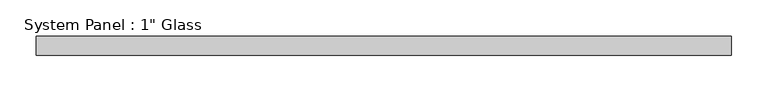
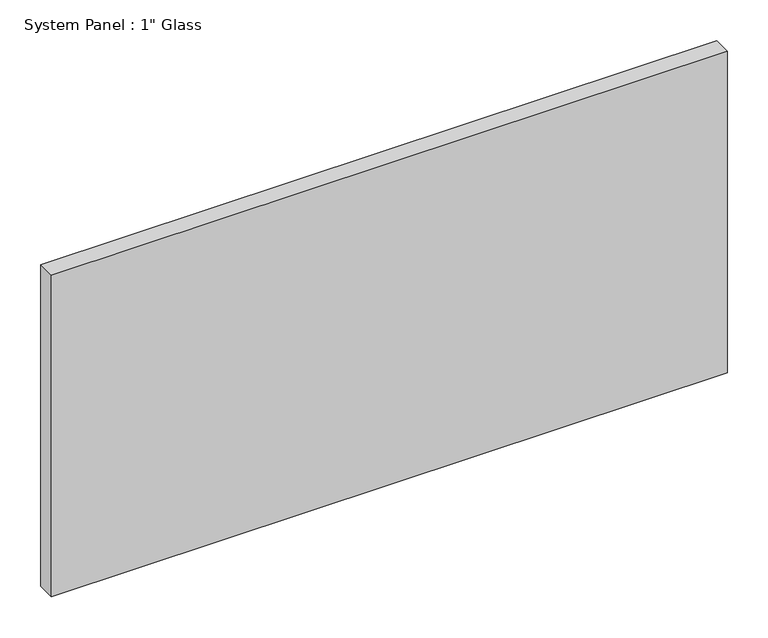
"""IFC4 building model written with IfcOpenShell, lengths in millimetres: plate geometry."""

import ifcopenshell
import ifcopenshell.guid

model = None  # the IFC model being written
_history = None  # IfcOwnerHistory: only IFC2X3 demands one
_inside = {}  # id of a spatial element -> (the spatial element, [elements in it])
_under = {}  # id of a project, library or spatial element -> (it, [spatial elements below it])
_declared = {}  # id of a project -> (the project, [libraries it declares])
_typed = {}  # id of a type object -> (the type object, [elements of that type])
_made_of = {}  # id of a material, layer set ... -> (it, [elements and type objects made of it])


def new_model(schema):
    """Start an empty IFC model of exactly this schema.

    Asked for "IFC4X3", IfcOpenShell would pick the latest addendum, in which some entities
    have other attributes; the version numbers below select the first issue.
    IFC2X3 requires an IfcOwnerHistory on every rooted entity: one is made here for all.
    """
    global model, _history
    if schema == "IFC4X3":
        model = ifcopenshell.file(schema_version=(4, 3, 0, 0))
    else:
        model = ifcopenshell.file(schema=schema)
    _inside.clear()
    _under.clear()
    _declared.clear()
    _typed.clear()
    _made_of.clear()
    _history = None
    if model.schema == "IFC2X3":
        org = make("IfcOrganization", Name="unknown")
        user = make(
            "IfcPersonAndOrganization",
            ThePerson=make("IfcPerson", FamilyName="unknown"),
            TheOrganization=org,
        )
        app = make(
            "IfcApplication",
            ApplicationDeveloper=org,
            Version="unknown",
            ApplicationFullName="unknown",
            ApplicationIdentifier="unknown",
        )
        _history = make(
            "IfcOwnerHistory",
            OwningUser=user,
            OwningApplication=app,
            ChangeAction="ADDED",
            CreationDate=0,
        )
    return model


def make(cls, **values):
    """One entity of the class cls with the attributes given. An attribute that is None is left unset."""
    return model.create_entity(
        cls, **{name: value for name, value in values.items() if value is not None}
    )


def rooted(cls, **values):
    """An entity with a GlobalId (a new one), such as an element, a storey or a relation."""
    return make(cls, GlobalId=ifcopenshell.guid.new(), OwnerHistory=_history, **values)


def si_unit(unit_type, name, prefix=None):
    """IfcSIUnit, for example si_unit("LENGTHUNIT", "METRE", prefix="MILLI")."""
    return make("IfcSIUnit", UnitType=unit_type, Prefix=prefix, Name=name)


def assignment(units):
    """IfcUnitAssignment: the units of a project."""
    return None if units is None else make("IfcUnitAssignment", Units=units)


def point(xyz):
    """IfcCartesianPoint."""
    return None if xyz is None else make("IfcCartesianPoint", Coordinates=xyz)


def direction(xyz):
    """IfcDirection."""
    return None if xyz is None else make("IfcDirection", DirectionRatios=xyz)


def frame(location, z_axis=None, x_axis=None):
    """IfcAxis2Placement3D, a coordinate frame: its origin and axes. An axis left out is left unset."""
    return make(
        "IfcAxis2Placement3D",
        Location=point(location),
        Axis=direction(z_axis),
        RefDirection=direction(x_axis),
    )


def origin():
    """The frame at (0, 0, 0) with its axes left unset."""
    return frame((0.0, 0.0, 0.0))


def origin_with_axes():
    """The frame at (0, 0, 0) with the z axis (0, 0, 1) and the x axis (1, 0, 0) written out."""
    return frame((0.0, 0.0, 0.0), z_axis=(0.0, 0.0, 1.0), x_axis=(1.0, 0.0, 0.0))


def place(relative_to, where):
    """IfcLocalPlacement: puts the frame where relative to a parent placement (None: the world)."""
    return make(
        "IfcLocalPlacement", PlacementRelTo=relative_to, RelativePlacement=where
    )


def context(
    kind, dimensions, precision=None, world=None, true_north=None, identifier=None
):
    """IfcGeometricRepresentationContext, for example the 3D "Model" context."""
    return make(
        "IfcGeometricRepresentationContext",
        ContextIdentifier=identifier,
        ContextType=kind,
        CoordinateSpaceDimension=dimensions,
        Precision=precision,
        WorldCoordinateSystem=world,
        TrueNorth=true_north,
    )


def project(units=None, contexts=None):
    """IfcProject with its units and contexts."""
    return rooted(
        "IfcProject",
        Name="project",
        RepresentationContexts=contexts,
        UnitsInContext=assignment(units),
    )


def spatial(cls, under=None, at=None, **own):
    """A site, building, storey or space (cls), placed at a placement, below another one or the project."""
    s = rooted(cls, ObjectPlacement=at, **own)
    if under is not None:
        _under.setdefault(under.id(), (under, []))[1].append(s)
    return s


def polyline(points):
    """IfcPolyline through the points."""
    return make("IfcPolyline", Points=[point(p) for p in points])


def outline(outer, holes=None, kind="AREA"):
    """IfcArbitraryClosedProfileDef: a profile drawn as a closed curve; with holes, ...WithVoids."""
    if holes is None:
        return make("IfcArbitraryClosedProfileDef", ProfileType=kind, OuterCurve=outer)
    return make(
        "IfcArbitraryProfileDefWithVoids",
        ProfileType=kind,
        OuterCurve=outer,
        InnerCurves=holes,
    )


def extrude(swept, where, along, depth):
    """IfcExtrudedAreaSolid: the profile swept, set in the frame where, extruded along a direction by depth."""
    return make(
        "IfcExtrudedAreaSolid",
        SweptArea=swept,
        Position=where,
        ExtrudedDirection=direction(along),
        Depth=depth,
    )


def shape(context_of_items, identifier, shape_type, items):
    """IfcShapeRepresentation: the items that make up one representation, for example the "Body"."""
    return make(
        "IfcShapeRepresentation",
        ContextOfItems=context_of_items,
        RepresentationIdentifier=identifier,
        RepresentationType=shape_type,
        Items=items,
    )


def source(mapping_origin, context_of_items, identifier, shape_type, items):
    """IfcRepresentationMap: a shape defined once, which mapped items show again and again."""
    return make(
        "IfcRepresentationMap",
        MappingOrigin=mapping_origin,
        MappedRepresentation=shape(context_of_items, identifier, shape_type, items),
    )


def transform(
    local_origin,
    x_axis=None,
    y_axis=None,
    z_axis=None,
    scale=None,
    scale2=None,
    scale3=None,
    uniform=True,
):
    """IfcCartesianTransformationOperator3D, or its non-uniform kind. x_axis, y_axis, z_axis: its Axis1, 2, 3."""
    if uniform:
        return make(
            "IfcCartesianTransformationOperator3D",
            Axis1=direction(x_axis),
            Axis2=direction(y_axis),
            LocalOrigin=point(local_origin),
            Scale=scale,
            Axis3=direction(z_axis),
        )
    return make(
        "IfcCartesianTransformationOperator3DnonUniform",
        Axis1=direction(x_axis),
        Axis2=direction(y_axis),
        LocalOrigin=point(local_origin),
        Scale=scale,
        Axis3=direction(z_axis),
        Scale2=scale2,
        Scale3=scale3,
    )


def mapped(mapping_source, mapping_target):
    """IfcMappedItem: shows the shape of a source again, moved by a transform."""
    return make(
        "IfcMappedItem", MappingSource=mapping_source, MappingTarget=mapping_target
    )


def made_of(thing, what):
    """Note that an element or type object is made of a material, layer set ...; save() writes the relation."""
    if what is not None:
        _made_of.setdefault(what.id(), (what, []))[1].append(thing)
    return thing


def element(
    cls,
    number,
    at=None,
    inside=None,
    cuts=None,
    type_object=None,
    material=None,
    context=None,
    identifier="Body",
    shape_type=None,
    held_by="IfcProductDefinitionShape",
    body=None,
    shapes=None,
    **own,
):
    """One element of the class cls, such as IfcWall. Its Tag is "e" and its number.

    at: its placement. inside: the storey or other place that contains it. cuts: it is an
    opening in that element (IfcRelVoidsElement). A single representation is given by context,
    identifier, shape_type and body (its items); several are given by shapes. held_by: the class
    of the entity that holds the representations. save() writes the other relations.
    """
    e = rooted(cls, Tag="e%d" % number, ObjectPlacement=at, **own)
    if body is not None:
        shapes = [shape(context, identifier, shape_type, body)]
    if shapes is not None:
        e.Representation = make(held_by, Representations=shapes)
    if inside is not None:
        _inside.setdefault(inside.id(), (inside, []))[1].append(e)
    if cuts is not None:
        rooted(
            "IfcRelVoidsElement", RelatingBuildingElement=cuts, RelatedOpeningElement=e
        )
    if type_object is not None:
        _typed.setdefault(type_object.id(), (type_object, []))[1].append(e)
    return made_of(e, material)


def aggregate(whole, parts):
    """IfcRelAggregates: a whole, such as a stair, and the parts it consists of."""
    return rooted("IfcRelAggregates", RelatingObject=whole, RelatedObjects=parts)


def save(model, path):
    """Write the relations noted so far, then the file.

    IfcRelAggregates (storeys below a building ...), IfcRelContainedInSpatialStructure (elements
    in a storey), IfcRelDefinesByType, IfcRelAssociatesMaterial and IfcRelDeclares: one each for
    every whole, place, type object, material and project.
    """
    for whole, parts in _under.values():
        aggregate(whole, parts)
    for where, things in _inside.values():
        rooted(
            "IfcRelContainedInSpatialStructure",
            RelatedElements=things,
            RelatingStructure=where,
        )
    for kind, things in _typed.values():
        rooted("IfcRelDefinesByType", RelatedObjects=things, RelatingType=kind)
    for what, things in _made_of.values():
        rooted("IfcRelAssociatesMaterial", RelatedObjects=things, RelatingMaterial=what)
    for by, libraries in _declared.values():
        rooted("IfcRelDeclares", RelatingContext=by, RelatedDefinitions=libraries)
    model.write(path)


def plate_f8d8b866(model_context):
    return source(origin(), model_context, "Body", "SweptSolid", [
        extrude(outline(polyline([(476.25, -12.7), (-476.25, -12.7), (-476.25, 12.7), (476.25, 12.7), (476.25, -12.7)])), origin_with_axes(), (0.0, 0.0, 1.0), 479.425),
    ])


if __name__ == "__main__":
    model = new_model("IFC4")
    model_context = context("Model", 3, world=origin())
    ifc_project = project(units=[si_unit("LENGTHUNIT", "METRE", prefix="MILLI")], contexts=[model_context])
    site = spatial("IfcSite", under=ifc_project)
    building = spatial("IfcBuilding", under=site)
    placement = place(None, origin())
    plate_shape = plate_f8d8b866(model_context)
    element("IfcPlate", 1, ObjectType="System Panel : 1\" Glass", at=placement, inside=building, context=model_context, shape_type="MappedRepresentation", body=[
        mapped(plate_shape, transform((0.0, 0.0, 0.0), x_axis=(1.0, 0.0, 0.0), y_axis=(0.0, 1.0, 0.0), z_axis=(0.0, 0.0, 1.0))),
    ])
    save(model, "model.ifc")
